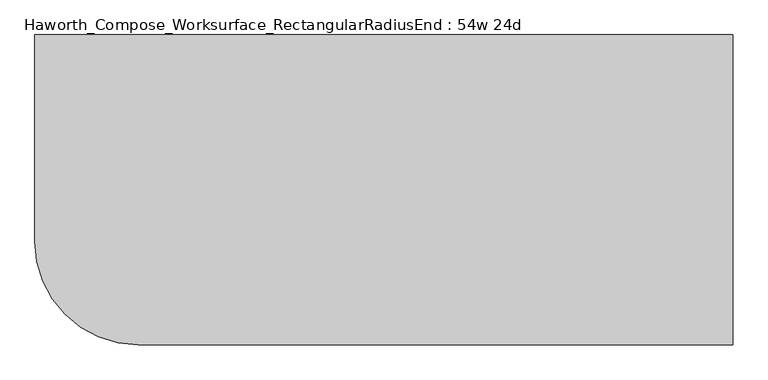
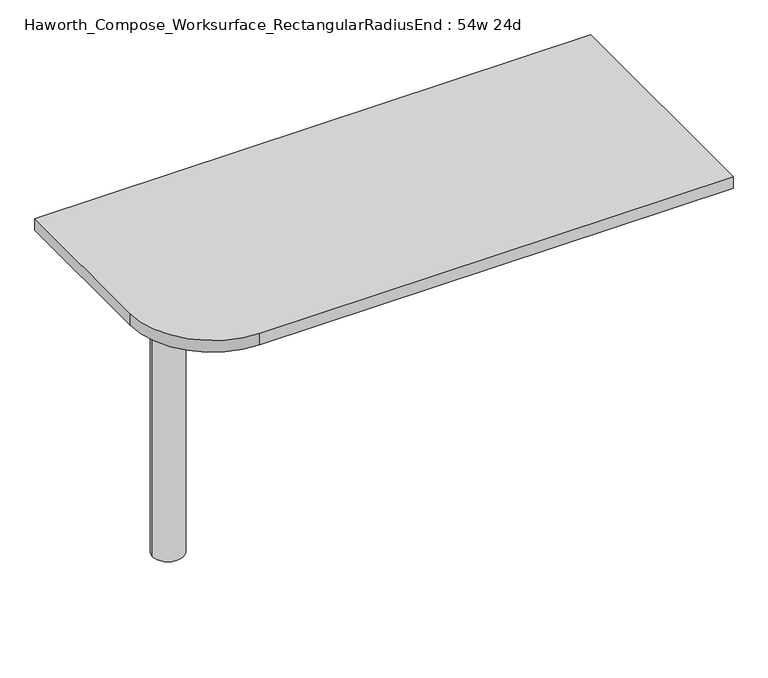
"""IFC4 building model written with IfcOpenShell, lengths in millimetres: furniture geometry, Haworth_Compose_Worksurface_RectangularRadiusEnd : 54w 24d."""

from ifc_helpers import new_model, si_unit, point, frame, frame_2d, origin, place, context, project, spatial, polyline, circle_curve, trimmed, segment, composite_curve, outline, extrude, source, transform, mapped, element, save
from ifc_brep_helpers import plane_surface, cylinder_surface, revolved_surface, advanced_brep


def haworth_compose_worksurface_rectangularradiusend_54w_24d_7cc4a540(model_context):
    return source(origin(), model_context, "Body", "SolidModel", [
        advanced_brep(
        [(680.24375, 304.8, 475.45625), (680.24375, 288.925, 475.45625), (680.24375, -101.6, 691.7192568), (680.24375, -101.6, 704.05625), (680.24375, 288.925, 704.05625), (680.24375, 304.8, 704.05625), (680.24375, 221.490072, 665.95625), (680.24375, 177.8355284, 665.95625), (680.24375, 175.1564235, 656.3705539), (680.24375, 266.8776173, 605.5776439), (680.24375, 276.225, 611.1756969), (680.24375, 276.225, 634.6860246), (680.24375, 274.4730055, 637.5242776), (680.24375, 224.5663437, 665.1613425), (682.625, 304.8, 475.45625), (682.625, 304.8, 704.05625), (682.625, 288.925, 704.05625), (682.625, 288.925, 706.4375), (682.625, -101.6, 706.4375), (682.625, -101.6, 691.7192568), (682.625, 288.925, 475.45625), (682.625, 221.490072, 665.95625), (682.625, 224.5663437, 665.1613425), (682.625, 274.4730055, 637.5242776), (682.625, 276.225, 634.6860246), (682.625, 276.225, 611.1756969), (682.625, 266.8776173, 605.5776439), (682.625, 175.1564235, 656.3705539), (682.625, 177.8355284, 665.95625), (641.35, -101.6, 706.4375), (641.35, -101.6, 704.05625), (641.35, 288.925, 704.05625), (641.35, 288.925, 706.4375)],
        [
            (0, 1),
            (1, 2),
            (2, 3),
            (3, 4),
            (4, 5),
            (5, 0),
            (6, 7),
            (7, 8, circle_curve(frame((680.24375, 177.8355284, 660.7890106), z_axis=(1.0, 0.0, 0.0), x_axis=(0.0, -1.0, 0.0)), 5.1672394)),
            (8, 9),
            (9, 10, circle_curve(frame((680.24375, 269.875, 611.1756969), z_axis=(1.0, 0.0, 0.0), x_axis=(0.0, -1.0, 0.0)), 6.35)),
            (10, 11),
            (11, 12, circle_curve(frame((680.24375, 273.05, 634.6860246), z_axis=(1.0, 0.0, 0.0), x_axis=(0.0, -1.0, 0.0)), 3.175)),
            (12, 13),
            (13, 6, circle_curve(frame((680.24375, 221.490072, 659.60625), z_axis=(1.0, 0.0, 0.0), x_axis=(0.0, -1.0, 0.0)), 6.35)),
            (14, 15),
            (15, 16),
            (16, 17),
            (17, 18),
            (18, 19),
            (19, 20),
            (20, 14),
            (21, 22, circle_curve(frame((682.625, 221.490072, 659.60625), z_axis=(-1.0, 0.0, 0.0), x_axis=(0.0, -1.0, 0.0)), 6.35)),
            (22, 23),
            (23, 24, circle_curve(frame((682.625, 273.05, 634.6860246), z_axis=(-1.0, 0.0, 0.0), x_axis=(0.0, -1.0, 0.0)), 3.175)),
            (24, 25),
            (25, 26, circle_curve(frame((682.625, 269.875, 611.1756969), z_axis=(-1.0, 0.0, 0.0), x_axis=(0.0, -1.0, 0.0)), 6.35)),
            (26, 27),
            (27, 28, circle_curve(frame((682.625, 177.8355284, 660.7890106), z_axis=(-1.0, 0.0, 0.0), x_axis=(0.0, -1.0, 0.0)), 5.1672394)),
            (28, 21),
            (4, 16),
            (15, 5),
            (14, 0),
            (20, 1),
            (19, 2),
            (18, 29),
            (29, 30),
            (30, 3),
            (6, 21),
            (28, 7),
            (9, 26),
            (25, 10),
            (24, 11),
            (23, 12),
            (27, 8),
            (31, 4),
            (30, 31),
            (32, 29),
            (17, 32),
            (31, 32),
            (22, 13),
        ],
        [
            plane_surface(frame((680.24375, 304.8, 475.45625), z_axis=(-1.0, 0.0, 0.0), x_axis=(0.0, 1.0, 0.0))),
            plane_surface(frame((682.625, 304.8, 475.45625), z_axis=(1.0, 0.0, 0.0), x_axis=(0.0, -1.0, 0.0))),
            plane_surface(frame((682.625, -101.6, 704.05625), z_axis=(0.0, 0.0, 1.0), x_axis=(-1.0, 0.0, 0.0))),
            plane_surface(frame((682.625, 304.8, 704.05625), z_axis=(0.0, 1.0, 0.0), x_axis=(-1.0, 0.0, 0.0))),
            plane_surface(frame((682.625, 304.8, 475.45625), z_axis=(0.0, 0.0, -1.0), x_axis=(-1.0, 0.0, 0.0))),
            plane_surface(frame((682.625, 288.925, 475.45625), z_axis=(0.0, -0.48445223513455843, -0.8748177135112952), x_axis=(-1.0, 0.0, 0.0))),
            plane_surface(frame((682.625, -101.6, 691.7192568), z_axis=(0.0, -1.0, 0.0), x_axis=(-1.0, 0.0, 0.0))),
            plane_surface(frame((682.625, 221.490072, 665.95625), z_axis=(0.0, 0.0, -1.0), x_axis=(-1.0, 0.0, 0.0))),
            revolved_surface(polyline([(680.24375, 263.525, 611.1756969), (682.625, 263.525, 611.1756969)]), (682.625, 269.875, 611.1756969), (-1.0, 0.0, 0.0)),
            plane_surface(frame((682.625, 276.225, 611.1756969), z_axis=(0.0, -1.0, 0.0), x_axis=(-1.0, 0.0, 0.0))),
            revolved_surface(polyline([(680.24375, 269.875, 634.6860246), (682.625, 269.875, 634.6860246)]), (682.625, 273.05, 634.6860246), (-1.0, 0.0, 0.0)),
            revolved_surface(polyline([(680.24375, 172.668289, 660.7890106), (682.625, 172.668289, 660.7890106)]), (682.625, 177.8355284, 660.7890106), (-1.0, 0.0, 0.0)),
            plane_surface(frame((682.625, 288.925, 704.05625), z_axis=(0.0, 0.0, -1.0), x_axis=(-1.0, 0.0, 0.0))),
            plane_surface(frame((682.625, 288.925, 706.4375), z_axis=(0.0, 0.0, 1.0), x_axis=(1.0, 0.0, 0.0))),
            plane_surface(frame((641.35, 288.925, 706.4375), z_axis=(0.0, 1.0, 0.0), x_axis=(0.0, 0.0, -1.0))),
            plane_surface(frame((641.35, -101.6, 706.4375), z_axis=(-1.0, 0.0, 0.0), x_axis=(0.0, 0.0, -1.0))),
            plane_surface(frame((682.625, 175.1564235, 656.3705539), z_axis=(0.0, 0.4844522351345583, 0.8748177135112953), x_axis=(-1.0, 0.0, 0.0))),
            plane_surface(frame((682.625, 274.4730055, 637.5242776), z_axis=(0.0, -0.4844522351345582, -0.8748177135112953), x_axis=(-1.0, 0.0, 0.0))),
            revolved_surface(polyline([(680.24375, 215.140072, 659.60625), (682.625, 215.140072, 659.60625)]), (682.625, 221.490072, 659.60625), (-1.0, 0.0, 0.0)),
        ],
        [
            (0, [[1, 2, 3, 4, 5, 6], [7, 8, 9, 10, 11, 12, 13, 14]]),
            (1, [[15, 16, 17, 18, 19, 20, 21], [22, 23, 24, 25, 26, 27, 28, 29]]),
            (2, [[-5, 30, -16, 31]]),
            (3, [[-31, -15, 32, -6]]),
            (4, [[-32, -21, 33, -1]]),
            (5, [[-33, -20, 34, -2]]),
            (6, [[-34, -19, 35, 36, 37, -3]]),
            (7, [[38, -29, 39, -7]]),
            (8, [[40, -26, 41, -10]]),
            (9, [[-41, -25, 42, -11]]),
            (10, [[-42, -24, 43, -12]]),
            (11, [[-39, -28, 44, -8]]),
            (12, [[45, -4, -37, 46]]),
            (13, [[47, -35, -18, 48]]),
            (14, [[-17, -30, -45, 49, -48]]),
            (15, [[-36, -47, -49, -46]]),
            (16, [[-44, -27, -40, -9]]),
            (17, [[-43, -23, 50, -13]]),
            (18, [[-50, -22, -38, -14]]),
        ],
    ),
        advanced_brep(
        [(-495.3, 0.0, 706.4375), (-571.5, 0.0, 706.4375), (-533.4, 0.0, 706.4375), (-495.3, 0.0, 0.0), (-571.5, 0.0, 0.0), (-533.4, 0.0, 0.0)],
        [
            (0, 1, circle_curve(frame((-533.4, 0.0, 706.4375), z_axis=(0.0, 0.0, 1.0), x_axis=(-1.0, 0.0, 0.0)), 38.1)),
            (1, 2),
            (2, 0),
            (1, 0, circle_curve(frame((-533.4, 0.0, 706.4375), z_axis=(0.0, 0.0, 1.0), x_axis=(-1.0, 0.0, 0.0)), 38.1)),
            (3, 4, circle_curve(frame((-533.4, 0.0, 0.0), z_axis=(0.0, 0.0, 1.0), x_axis=(-1.0, 0.0, 0.0)), 38.1)),
            (4, 1),
            (0, 3),
            (4, 3, circle_curve(frame((-533.4, 0.0, 0.0), z_axis=(0.0, 0.0, 1.0), x_axis=(-1.0, 0.0, 0.0)), 38.1)),
            (5, 4),
            (3, 5),
        ],
        [
            plane_surface(frame((-533.4, 0.0, 706.4375), z_axis=(0.0, 0.0, 1.0), x_axis=(-1.0, 0.0, 0.0))),
            cylinder_surface(frame((-533.4, 0.0, 889.623257), z_axis=(0.0, 0.0, -1.0), x_axis=(-1.0, 0.0, 0.0)), 38.1),
            plane_surface(frame((-533.4, 0.0, 0.0), z_axis=(0.0, 0.0, -1.0), x_axis=(-1.0, 0.0, 0.0))),
        ],
        [
            (0, [[1, 2, 3]]),
            (0, [[4, -3, -2]]),
            (1, [[5, 6, -1, 7]]),
            (1, [[8, -7, -4, -6]]),
            (2, [[9, -5, 10]]),
            (2, [[-10, -8, -9]]),
        ],
    ),
        extrude(outline(composite_curve([segment(polyline([(685.8, 304.8), (685.8, -304.8), (-482.6, -304.8)]), True, "CONTINUOUS"), segment(trimmed(circle_curve(frame_2d((-482.6, -101.6)), 203.2), [point((-482.6, -304.8))], [point((-685.8, -101.6))], False, "CARTESIAN"), True, "CONTINUOUS"), segment(polyline([(-685.8, -101.6), (-685.8, 304.8), (685.8, 304.8)]), True, "CONTINUOUS")], self_intersect=False)), frame((0.0, 0.0, 706.4375), z_axis=(0.0, 0.0, 1.0), x_axis=(1.0, 0.0, 0.0)), (0.0, 0.0, 1.0), 30.1625),
    ])


if __name__ == "__main__":
    model = new_model("IFC4")
    model_context = context("Model", 3, world=origin())
    ifc_project = project(units=[si_unit("LENGTHUNIT", "METRE", prefix="MILLI")], contexts=[model_context])
    site = spatial("IfcSite", under=ifc_project)
    building = spatial("IfcBuilding", under=site)
    placement = place(None, origin())
    haworth_compose_worksurface_rectangularradiusend_54w_24d_shape = haworth_compose_worksurface_rectangularradiusend_54w_24d_7cc4a540(model_context)
    element("IfcFurniture", 1, ObjectType="Haworth_Compose_Worksurface_RectangularRadiusEnd : 54w 24d", at=placement, inside=building, context=model_context, shape_type="MappedRepresentation", body=[
        mapped(haworth_compose_worksurface_rectangularradiusend_54w_24d_shape, transform((0.0, 0.0, 0.0), x_axis=(1.0, 0.0, 0.0), y_axis=(0.0, 1.0, 0.0), z_axis=(0.0, 0.0, 1.0))),
    ])
    save(model, "model.ifc")
